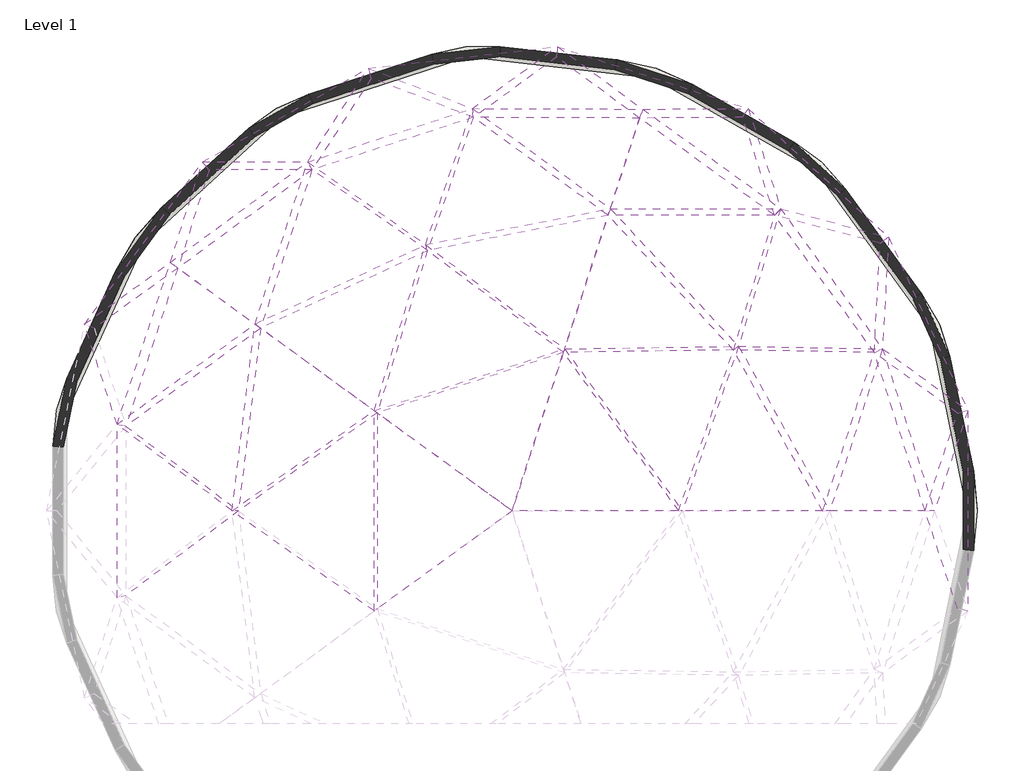
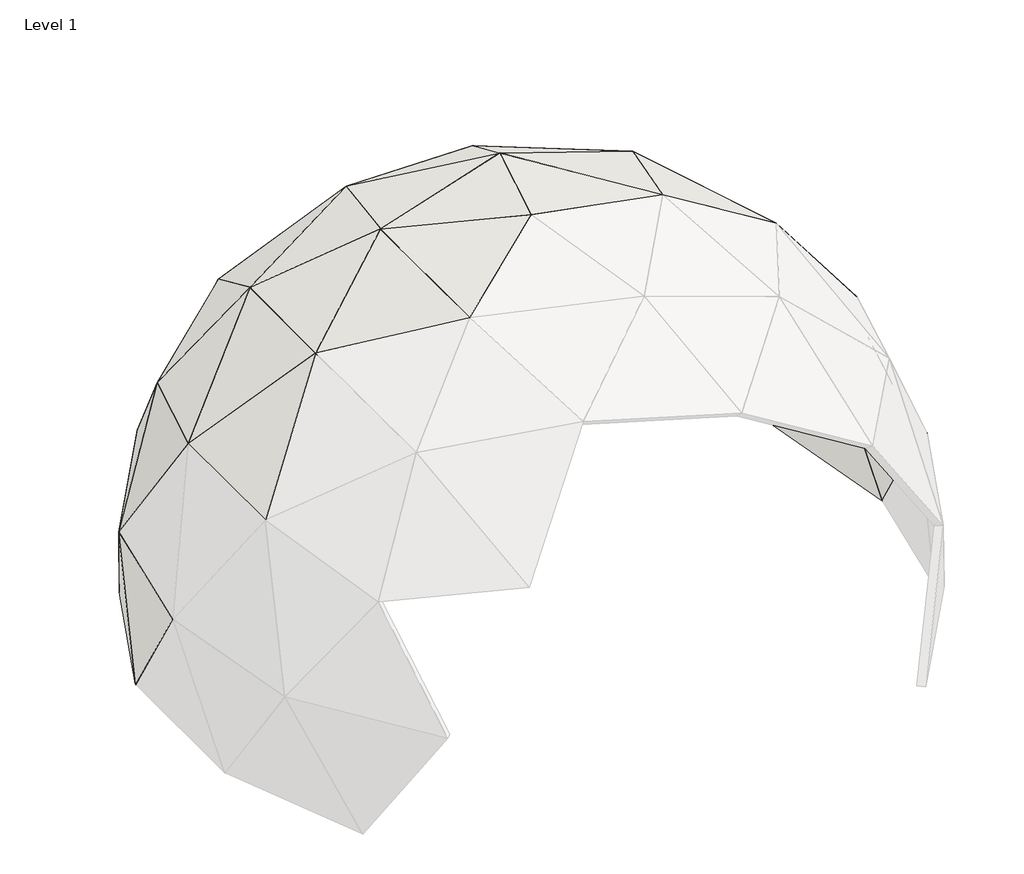
# One storey, part 2 of 2: 53 walls.
"""IFC4 building model written with IfcOpenShell, lengths in millimetres."""

from ifc_helpers import new_model, si_unit, origin, place, context, project, spatial, faceted_brep, element, save

model = new_model("IFC4")

# Units and contexts
model_context = context("Model", 3, world=origin())
ifc_project = project(units=[si_unit("LENGTHUNIT", "METRE", prefix="MILLI")], contexts=[model_context])

# Site, building, storey
site = spatial("IfcSite", under=ifc_project)
building = spatial("IfcBuilding", under=site)
storey = spatial("IfcBuildingStorey", under=building, Name="Level 1", Elevation=0.0)

# Walls
placement = place(None, origin())
element("IfcWall", 1, ObjectType="Generic - 8\"", at=placement, inside=storey, context=model_context, shape_type="Brep", body=[
    faceted_brep([(8030.4795698, 9905.5779786, 3018.2028372), (9684.2220828, 8688.9526631, 5694.0142458), (6372.7647451, 8701.1782597, 6333.6319504), (8048.1717425, 10112.358446, 3046.8293844), (6350.4147318, 8878.8663905, 6442.3428567), (9741.8604901, 8866.345484, 5787.2751538)], [[[0, 1, 2]], [[3, 4, 5]], [[5, 4, 2, 1]], [[4, 3, 0, 2]], [[3, 5, 1, 0]]]),
])
element("IfcWall", 2, ObjectType="Generic - 8\"", at=placement, inside=storey, context=model_context, shape_type="Brep", body=[
    faceted_brep([(9055.0036588, 6752.4180051, 8382.6802073), (6372.7647496, 8701.1782597, 6333.6319496), (9684.2220752, 8688.9526632, 5694.0142472), (9097.4432737, 6883.0337184, 8540.8859953), (9741.8604976, 8866.345484, 5787.2751524), (6350.4147274, 8878.8663905, 6442.3428576)], [[[0, 1, 2]], [[3, 4, 5]], [[5, 4, 2, 1]], [[3, 5, 1, 0]], [[4, 3, 0, 2]]]),
])
element("IfcWall", 3, ObjectType="Generic - 8\"", at=placement, inside=storey, context=model_context, shape_type="Brep", body=[
    faceted_brep([(9058.1142963, 6750.1579951, 8385.056523), (5456.1870187, 6047.8299515, 8989.9066945), (6370.2939354, 8702.9734109, 6331.7444155), (9094.3326362, 6885.2937284, 8538.5096797), (6352.8855415, 8877.0712393, 6444.2303916), (5420.5405873, 6168.9530076, 9155.4276737)], [[[0, 1, 2]], [[3, 4, 5]], [[4, 3, 0, 2]], [[5, 4, 2, 1]], [[3, 5, 1, 0]]]),
])
element("IfcWall", 4, ObjectType="Generic - 8\"", at=placement, inside=storey, context=model_context, shape_type="Brep", body=[
    faceted_brep([(5457.1410523, 6050.6010671, 8987.1324282), (3161.3010089, 7658.3168021, 6333.9887194), (6369.522149, 8700.7316558, 6333.9887194), (5419.5865538, 6166.181892, 9158.20194), (6353.657328, 8879.3129944, 6441.9860877), (3069.1684067, 7812.1172218, 6441.9860877)], [[[0, 1, 2]], [[3, 4, 5]], [[4, 3, 0, 2]], [[5, 4, 2, 1]], [[3, 5, 1, 0]]]),
])
element("IfcWall", 5, ObjectType="Generic - 8\"", at=placement, inside=storey, context=model_context, shape_type="Brep", body=[
    faceted_brep([(4341.4512128, 9484.3390769, 3145.3072385), (6369.5221439, 8700.7316541, 6333.9887194), (3161.3010007, 7658.3167995, 6333.9887194), (4277.3738722, 9681.5488087, 3177.5013407), (3069.1684149, 7812.1172245, 6441.9860877), (6353.657333, 8879.312996, 6441.9860877)], [[[0, 1, 2]], [[3, 4, 5]], [[5, 4, 2, 1]], [[3, 5, 1, 0]], [[4, 3, 0, 2]]]),
])
element("IfcWall", 6, ObjectType="Generic - 8\"", at=placement, inside=storey, context=model_context, shape_type="Brep", body=[
    faceted_brep([(4339.3305532, 9485.1584587, 3141.9729825), (8032.4020508, 9906.9747421, 3014.3578759), (6371.2376994, 8700.0687966, 6336.6860413), (4279.4945317, 9680.7294268, 3180.8355967), (6351.9417775, 8879.9758536, 6439.2887658), (8046.2492615, 10110.9616825, 3050.6743457)], [[[0, 1, 2]], [[3, 4, 5]], [[5, 4, 2, 1]], [[4, 3, 0, 2]], [[3, 5, 1, 0]]]),
])
element("IfcWall", 7, ObjectType="Generic - 8\"", at=placement, inside=storey, context=model_context, shape_type="Brep", body=[
    faceted_brep([(6255.3365424, 9906.4940095, 145.9610883), (8028.193157, 9906.4940095, 3014.5033154), (4343.3498879, 9485.6175402, 3141.8340932), (6234.2334156, 10111.4424151, 111.8155794), (4275.4751971, 9680.2703453, 3180.9744859), (8050.4581553, 10111.4424151, 3050.5289062)], [[[0, 1, 2]], [[3, 4, 5]], [[5, 4, 2, 1]], [[4, 3, 0, 2]], [[3, 5, 1, 0]]]),
])
element("IfcWall", 8, ObjectType="Generic - 8\"", at=placement, inside=storey, context=model_context, shape_type="Brep", body=[
    faceted_brep([(2534.7249113, 8696.4528206, 128.8883338), (6266.2324912, 9908.8924825, 128.8883338), (4341.1902663, 9485.1421531, 3145.2179829), (2451.7816608, 8883.5918296, 128.8883338), (4277.6348187, 9680.7457325, 3177.5905963), (6223.3374669, 10109.0439421, 128.8883338)], [[[0, 1, 2]], [[3, 4, 5]], [[3, 5, 1, 0]], [[5, 4, 2, 1]], [[4, 3, 0, 2]]]),
])
element("IfcWall", 9, ObjectType="Generic - 8\"", at=placement, inside=storey, context=model_context, shape_type="Brep", body=[
    faceted_brep([(2544.9497171, 8700.9168948, 145.9611135), (4339.1636607, 9484.2573521, 3141.8340759), (1110.6779347, 7658.8571779, 3014.5032998), (2441.556855, 8879.1277554, 111.8155542), (972.1994652, 7811.576846, 3050.5289217), (4279.6614243, 9681.6305334, 3180.9745033)], [[[0, 1, 2]], [[3, 4, 5]], [[3, 5, 1, 0]], [[5, 4, 2, 1]], [[4, 3, 0, 2]]]),
])
element("IfcWall", 10, ObjectType="Generic - 8\"", at=placement, inside=storey, context=model_context, shape_type="Brep", body=[
    faceted_brep([(1106.990266, 7656.7721536, 3014.357859), (4342.6852469, 9486.2484726, 3141.9729665), (3160.3027028, 7656.7721536, 6336.6860488), (975.8871339, 7813.6618703, 3050.6743626), (3070.1667127, 7813.6618703, 6439.2887583), (4276.139838, 9679.6394129, 3180.8356127)], [[[0, 1, 2]], [[3, 4, 5]], [[5, 4, 2, 1]], [[3, 5, 1, 0]], [[4, 3, 0, 2]]]),
])
element("IfcWall", 11, ObjectType="Generic - 8\"", at=placement, inside=storey, context=model_context, shape_type="Brep", body=[
    faceted_brep([(1109.3665944, 7656.7721536, 3018.2028378), (3158.4151571, 7656.7721536, 6333.6319368), (486.5756122, 5700.4561291, 5694.0142349), (973.5108055, 7813.6618703, 3046.8293838), (335.67627, 5810.0909156, 5787.2751647), (3072.0542584, 7813.6618703, 6442.3428703)], [[[0, 1, 2]], [[3, 4, 5]], [[3, 5, 1, 0]], [[5, 4, 2, 1]], [[4, 3, 0, 2]]]),
])
element("IfcWall", 12, ObjectType="Generic - 8\"", at=placement, inside=storey, context=model_context, shape_type="Brep", body=[
    faceted_brep([(2133.8911513, 4503.6115744, 8382.6801996), (486.5756163, 5700.4561321, 5694.0142358), (3158.4151667, 7656.7721606, 6333.6319391), (2022.7827991, 4584.3365082, 8540.886003), (3072.0542489, 7813.6618633, 6442.3428681), (335.6762659, 5810.0909126, 5787.2751637)], [[[0, 1, 2]], [[3, 4, 5]], [[5, 4, 2, 1]], [[4, 3, 0, 2]], [[3, 5, 1, 0]]]),
])
element("IfcWall", 13, ObjectType="Generic - 8\"", at=placement, inside=storey, context=model_context, shape_type="Brep", body=[
    faceted_brep([(5459.5417071, 6048.9199524, 8989.906699), (2132.7029897, 4499.9547892, 8385.056523), (3159.3589361, 7659.6767841, 6331.7444), (5417.185899, 6167.8630067, 9155.4276691), (3071.1104795, 7810.7572398, 6444.2304071), (2023.9709606, 4587.9932934, 8538.5096796)], [[[0, 1, 2]], [[3, 4, 5]], [[4, 3, 0, 2]], [[5, 4, 2, 1]], [[3, 5, 1, 0]]]),
])
element("IfcWall", 14, ObjectType="Generic - 8\"", at=placement, inside=storey, context=model_context, shape_type="Brep", body=[
    faceted_brep([(4457.1942988, 2815.6333797, 10158.6023768), (2136.4945209, 4501.7201137, 8385.7458586), (5455.9209326, 6047.2341317, 8989.2484086), (4397.6488808, 2858.8956615, 10354.045025), (5420.8066734, 6169.5488274, 9156.0859595), (2020.1794295, 4586.2279689, 8537.8203441)], [[[0, 1, 2]], [[3, 4, 5]], [[5, 4, 2, 1]], [[4, 3, 0, 2]], [[3, 5, 1, 0]]]),
])
element("IfcWall", 15, ObjectType="Generic - 8\"", at=placement, inside=storey, context=model_context, shape_type="Brep", body=[
    faceted_brep([(7142.0554726, 864.9681333, 10778.3477559), (4458.8657406, 2814.4190129, 10159.3092965), (8166.9426099, 4019.2463706, 10159.3092965), (7142.0554727, 864.9681362, 10986.8855191), (8190.9638005, 4093.1759953, 10353.3381053), (4395.9774389, 2860.1100282, 10353.3381053)], [[[0, 1, 2]], [[3, 4, 5]], [[5, 4, 2, 1]], [[4, 3, 0, 2]], [[3, 5, 1, 0]]]),
])
element("IfcWall", 16, ObjectType="Generic - 8\"", at=placement, inside=storey, context=model_context, shape_type="Brep", body=[
    faceted_brep([(8169.217823, 4019.9856323, 10159.3092965), (4456.5905299, 2813.6797521, 10159.3092965), (5457.0490192, 6050.8843053, 8987.9275942), (8188.6885875, 4092.4367336, 10353.3381053), (5419.6785868, 6165.8986538, 9157.406774), (4398.2526497, 2860.8492891, 10353.3381053)], [[[0, 1, 2]], [[3, 4, 5]], [[5, 4, 2, 1]], [[3, 5, 1, 0]], [[4, 3, 0, 2]]]),
])
element("IfcWall", 17, ObjectType="Generic - 8\"", at=placement, inside=storey, context=model_context, shape_type="Brep", body=[
    faceted_brep([(8167.5810431, 4021.2112692, 10158.6023737), (5460.107173, 6048.5943296, 8989.2484063), (9054.0092633, 6749.3575681, 8385.7458567), (8190.3253674, 4091.2110967, 10354.0450282), (9098.4376693, 6886.0941554, 8537.8203459), (5416.620433, 6168.1886295, 9156.0859619)], [[[0, 1, 2]], [[3, 4, 5]], [[5, 4, 2, 1]], [[3, 5, 1, 0]], [[4, 3, 0, 2]]]),
])
element("IfcWall", 18, ObjectType="Generic - 8\"", at=placement, inside=storey, context=model_context, shape_type="Brep", body=[
    faceted_brep([(8167.5810427, 4021.211268, 10158.6023744), (9054.0092624, 6749.3575655, 8385.7458584), (11549.6389796, 4069.9856198, 8989.2484077), (8190.3253677, 4091.2110979, 10354.0450274), (11655.1162571, 4141.178583, 9156.0859605), (9098.4376701, 6886.094158, 8537.8203442)], [[[0, 1, 2]], [[3, 4, 5]], [[3, 5, 1, 0]], [[4, 3, 0, 2]], [[5, 4, 2, 1]]]),
])
element("IfcWall", 19, ObjectType="Generic - 8\"", at=placement, inside=storey, context=model_context, shape_type="Brep", body=[
    faceted_brep([(10460.0659697, 863.0327317, 10159.3092967), (8165.5364505, 4021.181782, 10159.3092967), (11553.4590863, 4070.0407115, 8987.9275974), (10534.9878712, 866.9035379, 10353.3381052), (11651.2961504, 4141.1234913, 9157.4067708), (8192.3699599, 4091.2405839, 10353.3381052)], [[[0, 1, 2]], [[3, 4, 5]], [[5, 4, 2, 1]], [[3, 5, 1, 0]], [[4, 3, 0, 2]]]),
])
element("IfcWall", 20, ObjectType="Generic - 8\"", at=placement, inside=storey, context=model_context, shape_type="Brep", body=[
    faceted_brep([(7142.0554728, 864.968134, 10778.3477557), (8166.9426097, 4019.2463699, 10159.3092967), (10458.6598176, 864.968134, 10159.3092967), (7142.0554725, 864.9681356, 10986.8855192), (10536.3940233, 864.9681356, 10353.3381052), (8190.9638008, 4093.175996, 10353.3381052)], [[[0, 1, 2]], [[3, 4, 5]], [[3, 5, 1, 0]], [[5, 4, 2, 1]], [[4, 3, 0, 2]]]),
])
element("IfcWall", 21, ObjectType="Generic - 8\"", at=placement, inside=storey, context=model_context, shape_type="Brep", body=[
    faceted_brep([(11552.36116, 4067.0630173, 8989.9066956), (9051.1586958, 6752.4180068, 8385.0565237), (12373.4866983, 6752.4180068, 6331.7444148), (11652.3940767, 4144.1011856, 9155.4276726), (12489.9025097, 6883.0337167, 6444.2303924), (9101.2882368, 6883.0337167, 8538.509679)], [[[0, 1, 2]], [[3, 4, 5]], [[3, 5, 1, 0]], [[5, 4, 2, 1]], [[4, 3, 0, 2]]]),
])
element("IfcWall", 22, ObjectType="Generic - 8\"", at=placement, inside=storey, context=model_context, shape_type="Brep", body=[
    faceted_brep([(9055.0036594, 6752.4180068, 8382.6802049), (9684.2220767, 8688.9526678, 5694.0142408), (12370.4326124, 6752.4180068, 6333.6319441), (9097.4432732, 6883.0337167, 8540.8859977), (12492.9565956, 6883.0337167, 6442.342863), (9741.8604961, 8866.3454793, 5787.2751588)], [[[0, 1, 2]], [[3, 4, 5]], [[3, 5, 1, 0]], [[4, 3, 0, 2]], [[5, 4, 2, 1]]]),
])
element("IfcWall", 23, ObjectType="Generic - 8\"", at=placement, inside=storey, context=model_context, shape_type="Brep", body=[
    faceted_brep([(11736.5080968, 8703.4382808, 3014.3578672), (14476.3276368, 6191.4492492, 3141.9731271), (12371.0158909, 6750.6228612, 6336.6860275), (11845.2059813, 8876.6063694, 3050.6743543), (12492.3733171, 6884.8288624, 6439.2887796), (14639.6897192, 6314.4987576, 3180.8357621)], [[[0, 1, 2]], [[3, 4, 5]], [[4, 3, 0, 2]], [[3, 5, 1, 0]], [[5, 4, 2, 1]]]),
])
element("IfcWall", 24, ObjectType="Generic - 8\"", at=placement, inside=storey, context=model_context, shape_type="Brep", body=[
    faceted_brep([(11737.2424212, 8701.1782612, 3018.2028423), (12370.4326133, 6752.4180062, 6333.6319443), (9684.222081, 8688.9526647, 5694.0142418), (11844.4716569, 8878.866389, 3046.8293793), (9741.8604918, 8866.3454824, 5787.2751578), (12492.9565947, 6883.0337174, 6442.3428628)], [[[0, 1, 2]], [[3, 4, 5]], [[5, 4, 2, 1]], [[3, 5, 1, 0]], [[4, 3, 0, 2]]]),
])
element("IfcWall", 25, ObjectType="Generic - 8\"", at=placement, inside=storey, context=model_context, shape_type="Brep", body=[
    faceted_brep([(9684.2220806, 8688.9526647, 5694.0142423), (8029.8934253, 9906.0091935, 3017.2544355), (11737.9700878, 8701.1825944, 3017.2544355), (9741.8604922, 8866.3454824, 5787.2751572), (11843.7439904, 8878.8620557, 3047.7777861), (8048.7578871, 10111.9272311, 3047.7777861)], [[[0, 1, 2]], [[3, 4, 5]], [[3, 5, 1, 0]], [[4, 3, 0, 2]], [[5, 4, 2, 1]]]),
])
element("IfcWall", 26, ObjectType="Generic - 8\"", at=placement, inside=storey, context=model_context, shape_type="Brep", body=[
    faceted_brep([(8028.7741111, 9906.4940095, 3015.4433188), (6244.54834, 9906.4940095, 128.5054103), (9953.0219182, 9482.9196566, 0.3580726), (8049.8772013, 10111.4424151, 3049.5889028), (9996.3738021, 9682.9705545, -0.3577625), (6245.021618, 10111.4424151, 129.2712574)], [[[0, 1, 2]], [[3, 4, 5]], [[5, 4, 2, 1]], [[3, 5, 1, 0]], [[4, 3, 0, 2]]]),
])
element("IfcWall", 27, ObjectType="Generic - 8\"", at=placement, inside=storey, context=model_context, shape_type="Brep", body=[
    faceted_brep([(11740.2452764, 8700.4433412, 3017.2544355), (8027.6182441, 9906.7484443, 3017.2544355), (9942.9201378, 9485.1433073, 16.1864544), (11841.4688018, 8879.601309, 3047.7777861), (10006.4755825, 9680.7469037, -16.1861444), (8051.0330682, 10111.1879803, 3047.7777861)], [[[0, 1, 2]], [[3, 4, 5]], [[3, 5, 1, 0]], [[5, 4, 2, 1]], [[4, 3, 0, 2]]]),
])
element("IfcWall", 28, ObjectType="Generic - 8\"", at=placement, inside=storey, context=model_context, shape_type="Brep", body=[
    faceted_brep([(11739.1606028, 8700.9169023, 3015.4433112), (9933.4405964, 9489.2820108, 0.3580727), (13182.6297075, 7652.1751625, 128.5054101), (11842.5534753, 8879.1277479, 3049.5889103), (13302.7124576, 7818.2601017, 129.2712575), (10015.9551239, 9676.6082002, -0.3577627)], [[[0, 1, 2]], [[3, 4, 5]], [[5, 4, 2, 1]], [[3, 5, 1, 0]], [[4, 3, 0, 2]]]),
])
element("IfcWall", 29, ObjectType="Generic - 8\"", at=placement, inside=storey, context=model_context, shape_type="Brep", body=[
    faceted_brep([(13166.4966298, 7666.8612093, 128.8883334), (15472.6944545, 4492.6514579, 128.8881792), (14474.8135003, 6192.5291806, 3145.2181345), (13318.8455353, 7803.5740548, 128.8883343), (14641.2038557, 6313.4188262, 3177.5907548), (15649.7945209, 4595.2972448, 128.8881784)], [[[0, 1, 2]], [[3, 4, 5]], [[3, 5, 1, 0]], [[4, 3, 0, 2]], [[5, 4, 2, 1]]]),
])
element("IfcWall", 30, ObjectType="Generic - 8\"", at=placement, inside=storey, context=model_context, shape_type="Brep", body=[
    faceted_brep([(13173.9018558, 7658.5163182, 145.9611116), (14473.3457529, 6194.1831737, 3141.834237), (11739.6306048, 8700.5754259, 3014.5033074), (13311.4403093, 7811.9189459, 111.8155561), (11842.0834733, 8879.4692243, 3050.5289142), (14642.6716031, 6311.7648331, 3180.9746523)], [[[0, 1, 2]], [[3, 4, 5]], [[5, 4, 2, 1]], [[4, 3, 0, 2]], [[3, 5, 1, 0]]]),
])
element("IfcWall", 31, ObjectType="Generic - 8\"", at=placement, inside=storey, context=model_context, shape_type="Brep", body=[
    faceted_brep([(14474.1303596, 6192.032849, 3145.3073934), (14355.5828927, 4021.0746969, 6333.988717), (12372.7934152, 6750.1507484, 6333.988717), (14641.8869965, 6313.9151578, 3177.5014958), (12490.5957929, 6885.3009752, 6441.9860901), (14520.5213471, 4091.347669, 6441.9860901)], [[[0, 1, 2]], [[3, 4, 5]], [[4, 3, 0, 2]], [[5, 4, 2, 1]], [[3, 5, 1, 0]]]),
])
element("IfcWall", 32, ObjectType="Generic - 8\"", at=placement, inside=storey, context=model_context, shape_type="Brep", body=[
    faceted_brep([(13331.2974864, 861.3113564, 8385.056527), (11550.2878423, 4069.916686, 8989.9067017), (14357.9534304, 4021.0334208, 6331.7444088), (13471.0112882, 868.6249131, 8538.5096756), (14518.1508094, 4091.3889451, 6444.2303983), (11654.4673944, 4141.2475168, 9155.4276665)], [[[0, 1, 2]], [[3, 4, 5]], [[5, 4, 2, 1]], [[3, 5, 1, 0]], [[4, 3, 0, 2]]]),
])
element("IfcWall", 33, ObjectType="Generic - 8\"", at=placement, inside=storey, context=model_context, shape_type="Brep", body=[
    faceted_brep([(11553.2181519, 4069.8656674, 8987.1324259), (12372.7934172, 6750.1507456, 6333.988717), (14355.5828953, 4021.0746933, 6333.988717), (11651.5370848, 4141.2985354, 9158.2019423), (14520.5213445, 4091.3476726, 6441.9860901), (12490.5957909, 6885.300978, 6441.9860901)], [[[0, 1, 2]], [[3, 4, 5]], [[3, 5, 1, 0]], [[5, 4, 2, 1]], [[4, 3, 0, 2]]]),
])
element("IfcWall", 34, ObjectType="Generic - 8\"", at=placement, inside=storey, context=model_context, shape_type="Brep", body=[
    faceted_brep([(10460.7258225, 864.9681319, 10158.6023784), (11552.2262103, 4066.4245893, 8989.2484109), (13329.2677097, 864.9681319, 8385.7458612), (10534.3280184, 864.9681376, 10354.0450234), (13473.0410649, 864.9681376, 8537.8203414), (11652.5290264, 4144.7396135, 9156.0859573)], [[[0, 1, 2]], [[3, 4, 5]], [[3, 5, 1, 0]], [[5, 4, 2, 1]], [[4, 3, 0, 2]]]),
])
element("IfcWall", 35, ObjectType="Generic - 8\"", at=placement, inside=storey, context=model_context, shape_type="Brep", body=[
    faceted_brep([(14474.2543195, 6194.3029257, 3141.9731277), (16016.6465862, 2812.3316276, 3014.3580207), (14355.4826125, 4019.2382683, 6336.6860448), (14641.7630365, 6311.6450811, 3180.8357615), (14520.6216273, 4093.1840976, 6439.2887623), (16214.9287138, 2862.1975686, 3050.674511)], [[[0, 1, 2]], [[3, 4, 5]], [[4, 3, 0, 2]], [[3, 5, 1, 0]], [[5, 4, 2, 1]]]),
])
element("IfcWall", 36, ObjectType="Generic - 8\"", at=placement, inside=storey, context=model_context, shape_type="Brep", body=[
    faceted_brep([(15467.0463422, 4502.2729465, 145.9609274), (16014.8887655, 2816.1859645, 3014.50346), (14475.9329819, 6190.6221577, 3141.8342378), (15655.4426332, 4585.6757562, 111.8154303), (14640.0843741, 6315.3258492, 3180.9746514), (16216.6865346, 2858.3432317, 3050.5290716)], [[[0, 1, 2]], [[3, 4, 5]], [[4, 3, 0, 2]], [[5, 4, 2, 1]], [[3, 5, 1, 0]]]),
])
element("IfcWall", 37, ObjectType="Generic - 8\"", at=placement, inside=storey, context=model_context, shape_type="Brep", body=[
    faceted_brep([(16015.0682903, 2815.6334434, 3015.443465), (15463.7126082, 4512.5331332, 128.505255), (16206.8511127, 854.6746217, 0.3577634), (16216.5070098, 2858.8957528, 3049.5890666), (16410.5072899, 875.2636633, -0.3580735), (15658.7763672, 4575.4155695, 129.2711027)], [[[0, 1, 2]], [[3, 4, 5]], [[5, 4, 2, 1]], [[3, 5, 1, 0]], [[4, 3, 0, 2]]]),
])
element("IfcWall", 38, ObjectType="Generic - 8\"", at=placement, inside=storey, context=model_context, shape_type="Brep", body=[
    faceted_brep([(16014.95424, -1086.8742813, 3017.2547334), (16014.9530893, 2816.8113608, 3017.25458), (16205.8443057, 864.9691151, 16.1861325), (16216.6233855, -1127.7806705, 3047.7781082), (16411.5140969, 864.9691698, -16.1864426), (16216.6222107, 2857.7178354, 3047.7779516)], [[[0, 1, 2]], [[3, 4, 5]], [[5, 4, 2, 1]], [[3, 5, 1, 0]], [[4, 3, 0, 2]]]),
])
element("IfcWall", 39, ObjectType="Generic - 8\"", at=placement, inside=storey, context=model_context, shape_type="Brep", body=[
    faceted_brep([(15368.6792781, 864.96812, 5694.0142321), (16014.95309, 2814.4190872, 3017.2545801), (16014.9542393, -1084.4820043, 3017.2547334), (15555.2011119, 864.9681495, 5787.2751674), (16216.6233862, -1130.1729474, 3047.7781083), (16216.62221, 2860.110109, 3047.7779515)], [[[0, 1, 2]], [[3, 4, 5]], [[5, 4, 2, 1]], [[3, 5, 1, 0]], [[4, 3, 0, 2]]]),
])
element("IfcWall", 40, ObjectType="Generic - 8\"", at=placement, inside=storey, context=model_context, shape_type="Brep", body=[
    faceted_brep([(13332.4856427, 864.9681253, 8382.6802142), (14357.0096624, 4018.1288013, 6333.6319451), (15368.6792739, 864.9681253, 5694.0142392), (13469.8231319, 864.9681442, 8540.8859884), (15555.2011161, 864.9681442, 5787.2751603), (14519.0945775, 4094.2935646, 6442.342862)], [[[0, 1, 2]], [[3, 4, 5]], [[3, 5, 1, 0]], [[5, 4, 2, 1]], [[4, 3, 0, 2]]]),
])
element("IfcWall", 41, ObjectType="Generic - 8\"", at=placement, inside=storey, context=model_context, shape_type="Brep", body=[
    faceted_brep([(16014.7241121, 2813.7283872, 3018.2029691), (15368.6792769, 864.9681162, 5694.0142374), (14357.0096624, 4018.1288013, 6333.6319451), (16216.851188, 2860.800809, 3046.8295625), (14519.0945775, 4094.2935646, 6442.342862), (15555.2011132, 864.9681534, 5787.2751622)], [[[0, 1, 2]], [[3, 4, 5]], [[4, 3, 0, 2]], [[3, 5, 1, 0]], [[5, 4, 2, 1]]]),
])
element("IfcWall", 42, ObjectType="Generic - 8\"", at=placement, inside=storey, context=model_context, shape_type="Brep", body=[
    faceted_brep([(4458.8657365, 2816.8113114, 10159.3092957), (4458.8663502, -1086.8757321, 10159.3092957), (1689.2599059, 864.9675212, 8987.9275944), (4395.9774431, 2857.7177298, 10353.3381062), (1568.3266544, 864.9675081, 9157.4067738), (4395.9780696, -1127.7821653, 10353.3381062)], [[[0, 1, 2]], [[3, 4, 5]], [[3, 5, 1, 0]], [[4, 3, 0, 2]], [[5, 4, 2, 1]]]),
])
element("IfcWall", 43, ObjectType="Generic - 8\"", at=placement, inside=storey, context=model_context, shape_type="Brep", body=[
    faceted_brep([(7142.0554712, 864.9681343, 10778.3477556), (4458.8663498, -1084.4834366, 10159.3092957), (4458.8657369, 2814.4190157, 10159.3092957), (7142.0554741, 864.9681352, 10986.8855194), (4395.9774427, 2860.1100255, 10353.3381062), (4395.97807, -1130.1744608, 10353.3381062)], [[[0, 1, 2]], [[3, 4, 5]], [[4, 3, 0, 2]], [[3, 5, 1, 0]], [[5, 4, 2, 1]]]),
])
element("IfcWall", 44, ObjectType="Generic - 8\"", at=placement, inside=storey, context=model_context, shape_type="Brep", body=[
    faceted_brep([(2137.0017968, 4505.871589, 8385.0565233), (1691.8983963, 863.2038486, 8989.9066983), (-550.818119, 2553.0554712, 6331.744404), (2019.6721535, 4582.0764937, 8538.5096793), (-721.7744561, 2590.2982895, 6444.2304031), (1565.688164, 866.7311807, 9155.4276699)], [[[0, 1, 2]], [[3, 4, 5]], [[3, 5, 1, 0]], [[5, 4, 2, 1]], [[4, 3, 0, 2]]]),
])
element("IfcWall", 45, ObjectType="Generic - 8\"", at=placement, inside=storey, context=model_context, shape_type="Brep", body=[
    faceted_brep([(4457.1942934, 2815.6333836, 10158.6023727), (1692.3828261, 867.1683587, 8989.2484075), (2136.4945214, 4501.7201133, 8385.745859), (4397.6488861, 2858.8956576, 10354.0450291), (2020.1794289, 4586.2279693, 8537.8203437), (1565.2037342, 862.7666706, 9156.0859607)], [[[0, 1, 2]], [[3, 4, 5]], [[4, 3, 0, 2]], [[3, 5, 1, 0]], [[5, 4, 2, 1]]]),
])
element("IfcWall", 46, ObjectType="Generic - 8\"", at=placement, inside=storey, context=model_context, shape_type="Brep", body=[
    faceted_brep([(1689.5577119, 864.9675175, 8987.1324203), (-548.9245693, -821.6942125, 6333.9887191), (-548.9245693, 2551.6287112, 6333.9887191), (1568.0288484, 864.9675118, 9158.2019478), (-723.6680058, 2591.7250494, 6441.986088), (-723.6680058, -861.7905748, 6441.986088)], [[[0, 1, 2]], [[3, 4, 5]], [[4, 3, 0, 2]], [[3, 5, 1, 0]], [[5, 4, 2, 1]]]),
])
element("IfcWall", 47, ObjectType="Generic - 8\"", at=placement, inside=storey, context=model_context, shape_type="Brep", body=[
    faceted_brep([(2133.891153, 4503.6115732, 8382.6802024), (-548.3473019, 2554.8506255, 6333.6319407), (486.5756171, 5700.4561315, 5694.0142371), (2022.7827973, 4584.3365094, 8540.8860002), (335.6762651, 5810.0909131, 5787.2751624), (-724.2452732, 2588.5031352, 6442.3428664)], [[[0, 1, 2]], [[3, 4, 5]], [[4, 3, 0, 2]], [[3, 5, 1, 0]], [[5, 4, 2, 1]]]),
])
element("IfcWall", 48, ObjectType="Generic - 8\"", at=placement, inside=storey, context=model_context, shape_type="Brep", body=[
    faceted_brep([(-1181.5383344, 4503.6112746, 3018.2028329), (486.5756195, 5700.4561387, 5694.0142356), (-548.347299, 2554.8506343, 6333.6319389), (-1372.731076, 4584.3361878, 3046.8293886), (-724.2452761, 2588.5031264, 6442.3428682), (335.6762627, 5810.0909059, 5787.2751639)], [[[0, 1, 2]], [[3, 4, 5]], [[5, 4, 2, 1]], [[3, 5, 1, 0]], [[4, 3, 0, 2]]]),
])
element("IfcWall", 49, ObjectType="Generic - 8\"", at=placement, inside=storey, context=model_context, shape_type="Brep", body=[
    faceted_brep([(486.575614, 5700.4561348, 5694.0142269), (-1182.1295596, 4503.18708, 3017.2544521), (1109.5873297, 7657.4655291, 3017.2544521), (335.6762681, 5810.0909098, 5787.2751726), (973.2900702, 7812.9684948, 3047.7777695), (-1372.1398507, 4584.7603824, 3047.7777695)], [[[0, 1, 2]], [[3, 4, 5]], [[4, 3, 0, 2]], [[3, 5, 1, 0]], [[5, 4, 2, 1]]]),
])
element("IfcWall", 50, ObjectType="Generic - 8\"", at=placement, inside=storey, context=model_context, shape_type="Brep", body=[
    faceted_brep([(-1182.93655, 4502.2723431, 3015.4433332), (-1734.2922362, 2805.3727176, 128.5054097), (-185.467271, 6201.4487822, 0.3579172), (-1371.3328604, 4585.6751194, 3049.5888884), (-362.33052, 6304.4979843, -0.3579172), (-1929.0634988, 2869.1553934, 129.2712579)], [[[0, 1, 2]], [[3, 4, 5]], [[5, 4, 2, 1]], [[3, 5, 1, 0]], [[4, 3, 0, 2]]]),
])
element("IfcWall", 51, ObjectType="Generic - 8\"", at=placement, inside=storey, context=model_context, shape_type="Brep", body=[
    faceted_brep([(-1730.9584944, 2815.6329278, 145.961121), (-1183.1160784, 4501.719811, 3014.5033096), (-1921.5175057, 867.1679791, 3141.8340857), (-1932.3972407, 2858.8951832, 111.8155466), (-2127.6177661, 862.766275, 3180.9744935), (-1371.153332, 4586.2276514, 3050.528912)], [[[0, 1, 2]], [[3, 4, 5]], [[5, 4, 2, 1]], [[4, 3, 0, 2]], [[3, 5, 1, 0]]]),
])
element("IfcWall", 52, ObjectType="Generic - 8\"", at=placement, inside=storey, context=model_context, shape_type="Brep", body=[
    faceted_brep([(1110.9934911, 7659.4009447, 3017.2544521), (-1183.5357156, 4501.251672, 3017.2544521), (-190.7037175, 6192.5285611, 16.186308), (971.8839088, 7811.0330792, 3047.7777695), (-357.0940735, 6313.4182055, -16.186308), (-1370.7336948, 4586.6957905, 3047.7777695)], [[[0, 1, 2]], [[3, 4, 5]], [[3, 5, 1, 0]], [[5, 4, 2, 1]], [[4, 3, 0, 2]]]),
])
element("IfcWall", 53, ObjectType="Generic - 8\"", at=placement, inside=storey, context=model_context, shape_type="Brep", body=[
    faceted_brep([(1110.2079233, 7658.5156945, 3015.4433223), (-197.5691971, 6184.7919059, 0.3579172), (2553.6775734, 8707.2580552, 128.5054093), (972.6694766, 7811.9183294, 3049.5888993), (2432.8289987, 8872.786595, 129.2712584), (-350.2285939, 6321.1548606, -0.3579172)], [[[0, 1, 2]], [[3, 4, 5]], [[5, 4, 2, 1]], [[4, 3, 0, 2]], [[3, 5, 1, 0]]]),
])

save(model, "model.ifc")
